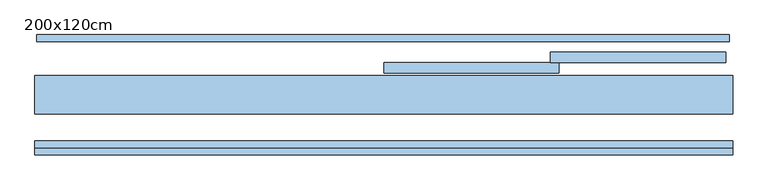
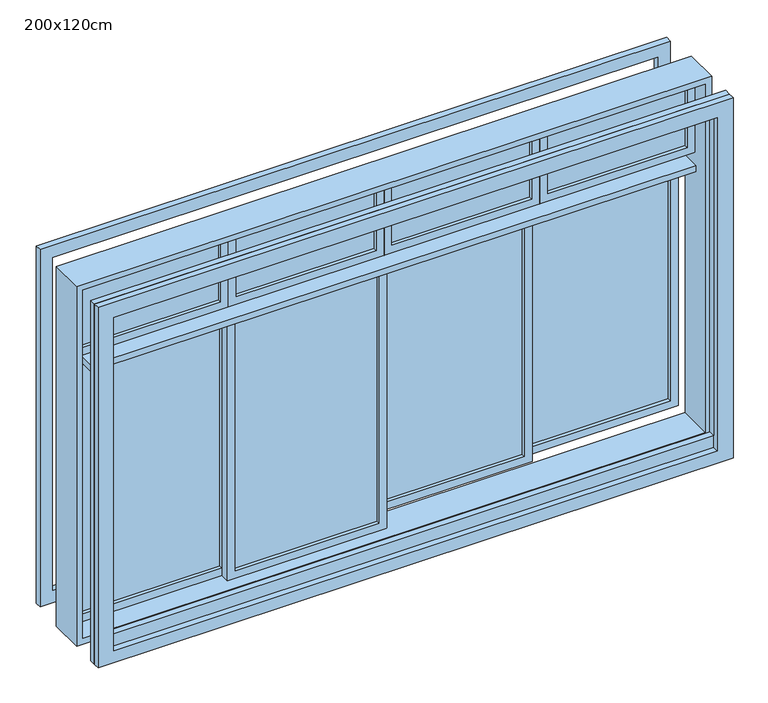
"""IFC4 building model written with IfcOpenShell, lengths in millimetres: window geometry, 200x120cm."""

from ifc_helpers import new_model, si_unit, frame, origin, place, context, project, spatial, polyline, outline, extrude, source, transform, mapped, element, save


def window_200x120cm_deaee7b3(model_context):
    return source(origin(), model_context, "Body", "SweptSolid", [
        extrude(outline(polyline([(1478.25, 0.575), (1038.25, 0.575), (1038.25, 7.575), (1478.25, 7.575), (1478.25, 0.575)])), frame((0.0, 0.0, 2045.0), z_axis=(0.0, 0.0, 1.0), x_axis=(1.0, 0.0, 0.0)), (0.0, 0.0, 1.0), 210.0),
        extrude(outline(polyline([(2020.0, 1503.25), (2280.0, 1503.25), (2280.0, 1013.25), (2020.0, 1013.25), (2020.0, 1503.25)]), holes=[polyline([(2255.0, 1038.25), (2255.0, 1478.25), (2045.0, 1478.25), (2045.0, 1038.25), (2255.0, 1038.25)])]), frame((0.0, -10.925, 0.0), z_axis=(0.0, 1.0, 0.0), x_axis=(0.0, 0.0, 1.0)), (0.0, 0.0, 1.0), 30.0),
        extrude(outline(polyline([(988.25, 0.575), (548.25, 0.575), (548.25, 7.575), (988.25, 7.575), (988.25, 0.575)])), frame((0.0, 0.0, 2045.0), z_axis=(0.0, 0.0, 1.0), x_axis=(1.0, 0.0, 0.0)), (0.0, 0.0, 1.0), 210.0),
        extrude(outline(polyline([(2020.0, 1013.25), (2280.0, 1013.25), (2280.0, 523.25), (2020.0, 523.25), (2020.0, 1013.25)]), holes=[polyline([(2255.0, 548.25), (2255.0, 988.25), (2045.0, 988.25), (2045.0, 548.25), (2255.0, 548.25)])]), frame((0.0, -10.925, 0.0), z_axis=(0.0, 1.0, 0.0), x_axis=(0.0, 0.0, 1.0)), (0.0, 0.0, 1.0), 30.0),
        extrude(outline(polyline([(498.25, 0.575), (58.25, 0.575), (58.25, 7.575), (498.25, 7.575), (498.25, 0.575)])), frame((0.0, 0.0, 2045.0), z_axis=(0.0, 0.0, 1.0), x_axis=(1.0, 0.0, 0.0)), (0.0, 0.0, 1.0), 210.0),
        extrude(outline(polyline([(2020.0, 523.25), (2280.0, 523.25), (2280.0, 33.25), (2020.0, 33.25), (2020.0, 523.25)]), holes=[polyline([(2255.0, 58.25), (2255.0, 498.25), (2045.0, 498.25), (2045.0, 58.25), (2255.0, 58.25)])]), frame((0.0, -10.925, 0.0), z_axis=(0.0, 1.0, 0.0), x_axis=(0.0, 0.0, 1.0)), (0.0, 0.0, 1.0), 30.0),
        extrude(outline(polyline([(8.25, 0.575), (-431.75, 0.575), (-431.75, 7.575), (8.25, 7.575), (8.25, 0.575)])), frame((0.0, 0.0, 2045.0), z_axis=(0.0, 0.0, 1.0), x_axis=(1.0, 0.0, 0.0)), (0.0, 0.0, 1.0), 210.0),
        extrude(outline(polyline([(2020.0, 33.25), (2280.0, 33.25), (2280.0, -456.75), (2020.0, -456.75), (2020.0, 33.25)]), holes=[polyline([(2255.0, -431.75), (2255.0, 8.25), (2045.0, 8.25), (2045.0, -431.75), (2255.0, -431.75)])]), frame((0.0, -10.925, 0.0), z_axis=(0.0, 1.0, 0.0), x_axis=(0.0, 0.0, 1.0)), (0.0, 0.0, 1.0), 30.0),
        extrude(outline(polyline([(-431.75, 15.575), (-431.75, 22.575), (20.75, 22.575), (20.75, 15.575), (-431.75, 15.575)])), frame((0.0, 0.0, 1145.0), z_axis=(0.0, 0.0, 1.0), x_axis=(1.0, 0.0, 0.0)), (0.0, 0.0, 1.0), 830.0),
        extrude(outline(polyline([(1120.0, -456.75), (1120.0, 45.75), (2000.0, 45.75), (2000.0, -456.75), (1120.0, -456.75)]), holes=[polyline([(1975.0, 20.75), (1145.0, 20.75), (1145.0, -431.75), (1975.0, -431.75), (1975.0, 20.75)])]), frame((0.0, 4.075, 0.0), z_axis=(0.0, 1.0, 0.0), x_axis=(0.0, 0.0, 1.0)), (0.0, 0.0, 1.0), 30.0),
        extrude(outline(polyline([(45.75, -14.425), (45.75, -7.425), (498.25, -7.425), (498.25, -14.425), (45.75, -14.425)])), frame((0.0, 0.0, 1145.0), z_axis=(0.0, 0.0, 1.0), x_axis=(1.0, 0.0, 0.0)), (0.0, 0.0, 1.0), 830.0),
        extrude(outline(polyline([(1120.0, 20.75), (1120.0, 523.25), (2000.0, 523.25), (2000.0, 20.75), (1120.0, 20.75)]), holes=[polyline([(1975.0, 498.25), (1145.0, 498.25), (1145.0, 45.75), (1975.0, 45.75), (1975.0, 498.25)])]), frame((0.0, -25.925, 0.0), z_axis=(0.0, 1.0, 0.0), x_axis=(0.0, 0.0, 1.0)), (0.0, 0.0, 1.0), 30.0),
        extrude(outline(polyline([(1478.25, 92.975), (1025.75, 92.975), (1025.75, 99.975), (1478.25, 99.975), (1478.25, 92.975)])), frame((0.0, 0.0, 1145.0), z_axis=(0.0, 0.0, 1.0), x_axis=(1.0, 0.0, 0.0)), (0.0, 0.0, 1.0), 830.0),
        extrude(outline(polyline([(1120.0, 1503.25), (2000.0, 1503.25), (2000.0, 1000.75), (1120.0, 1000.75), (1120.0, 1503.25)]), holes=[polyline([(1975.0, 1025.75), (1975.0, 1478.25), (1145.0, 1478.25), (1145.0, 1025.75), (1975.0, 1025.75)])]), frame((0.0, 81.475, 0.0), z_axis=(0.0, 1.0, 0.0), x_axis=(0.0, 0.0, 1.0)), (0.0, 0.0, 1.0), 30.0),
        extrude(outline(polyline([(1000.75, 62.975), (548.25, 62.975), (548.25, 69.975), (1000.75, 69.975), (1000.75, 62.975)])), frame((0.0, 0.0, 1145.0), z_axis=(0.0, 0.0, 1.0), x_axis=(1.0, 0.0, 0.0)), (0.0, 0.0, 1.0), 830.0),
        extrude(outline(polyline([(1120.0, 1025.75), (2000.0, 1025.75), (2000.0, 523.25), (1120.0, 523.25), (1120.0, 1025.75)]), holes=[polyline([(1975.0, 548.25), (1975.0, 1000.75), (1145.0, 1000.75), (1145.0, 548.25), (1975.0, 548.25)])]), frame((0.0, 51.475, 0.0), z_axis=(0.0, 1.0, 0.0), x_axis=(0.0, 0.0, 1.0)), (0.0, 0.0, 1.0), 30.0),
        extrude(outline(polyline([(1100.0, 1523.25), (2300.0, 1523.25), (2300.0, -476.75), (1100.0, -476.75), (1100.0, 1523.25)]), holes=[polyline([(2250.0, -426.75), (2250.0, 1473.25), (1180.0, 1473.25), (1180.0, -426.75), (2250.0, -426.75)])]), frame((0.0, -163.325, 0.0), z_axis=(0.0, 1.0, 0.0), x_axis=(0.0, 0.0, 1.0)), (0.0, 0.0, 1.0), 20.0),
        extrude(outline(polyline([(2300.0, -476.75), (1100.0, -476.75), (1100.0, 1523.25), (2300.0, 1523.25), (2300.0, -476.75)]), holes=[polyline([(2250.0, 1473.25), (1140.0, 1473.25), (1140.0, -426.75), (2250.0, -426.75), (2250.0, 1473.25)])]), frame((0.0, -183.325, 0.0), z_axis=(0.0, 1.0, 0.0), x_axis=(0.0, 0.0, 1.0)), (0.0, 0.0, 1.0), 20.0),
        extrude(outline(polyline([(1473.25, -65.925), (-431.75, -65.925), (-431.75, 44.075), (1473.25, 44.075), (1473.25, -65.925)])), frame((0.0, 0.0, 2000.0), z_axis=(0.0, 0.0, 1.0), x_axis=(1.0, 0.0, 0.0)), (0.0, 0.0, 1.0), 20.0),
        extrude(outline(polyline([(2295.0, -471.75), (1105.0, -471.75), (1105.0, 1513.25), (2295.0, 1513.25), (2295.0, -471.75)]), holes=[polyline([(2255.0, 1473.25), (1145.0, 1473.25), (1145.0, -431.75), (2255.0, -431.75), (2255.0, 1473.25)])]), frame((0.0, 141.475, 0.0), z_axis=(0.0, 1.0, 0.0), x_axis=(0.0, 0.0, 1.0)), (0.0, 0.0, 1.0), 20.0),
        extrude(outline(polyline([(2300.0, 1523.25), (2300.0, -476.75), (1100.0, -476.75), (1100.0, 1523.25), (2300.0, 1523.25)]), holes=[polyline([(2280.0, 1503.25), (1120.0, 1503.25), (1120.0, -456.75), (2280.0, -456.75), (2280.0, 1503.25)])]), frame((0.0, -65.925, 0.0), z_axis=(0.0, 1.0, 0.0), x_axis=(0.0, 0.0, 1.0)), (0.0, 0.0, 1.0), 110.0),
    ])


if __name__ == "__main__":
    model = new_model("IFC4")
    model_context = context("Model", 3, world=origin())
    ifc_project = project(units=[si_unit("LENGTHUNIT", "METRE", prefix="MILLI")], contexts=[model_context])
    site = spatial("IfcSite", under=ifc_project)
    building = spatial("IfcBuilding", under=site)
    placement = place(None, origin())
    window_200x120cm_shape = window_200x120cm_deaee7b3(model_context)
    element("IfcWindow", 1, ObjectType="200x120cm", at=placement, inside=building, context=model_context, shape_type="MappedRepresentation", body=[
        mapped(window_200x120cm_shape, transform((0.0, 0.0, 0.0), x_axis=(1.0, 0.0, 0.0), y_axis=(0.0, 1.0, 0.0), z_axis=(0.0, 0.0, 1.0))),
    ])
    save(model, "model.ifc")
